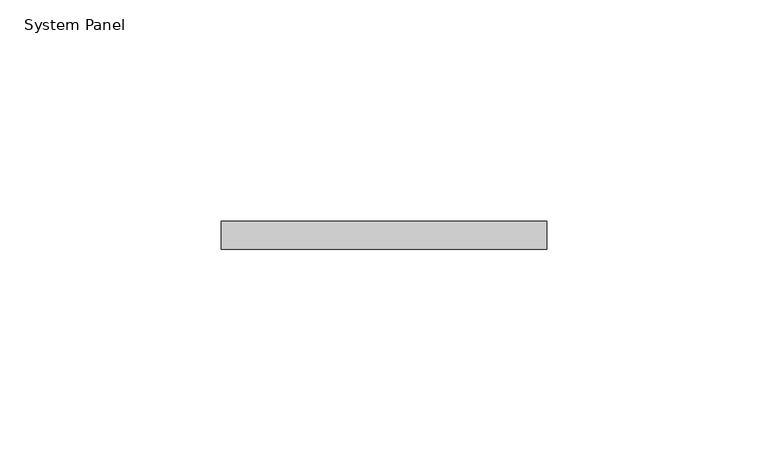
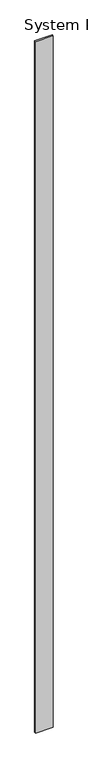
"""IFC4 building model written with IfcOpenShell, lengths in millimetres: plate geometry, System Panel."""

from ifc_helpers import new_model, si_unit, origin, origin_with_axes, place, context, project, spatial, polyline, outline, extrude, source, transform, mapped, element, save


def system_panel_3ae4ca2c(model_context):
    return source(origin(), model_context, "Body", "SweptSolid", [
        extrude(outline(polyline([(36.824976, -6.35), (-36.824976, -6.35), (-36.824976, 0.0), (36.824976, 0.0), (36.824976, -6.35)])), origin_with_axes(), (0.0, 0.0, 1.0), 3048.0),
    ])


if __name__ == "__main__":
    model = new_model("IFC4")
    model_context = context("Model", 3, world=origin())
    ifc_project = project(units=[si_unit("LENGTHUNIT", "METRE", prefix="MILLI")], contexts=[model_context])
    site = spatial("IfcSite", under=ifc_project)
    building = spatial("IfcBuilding", under=site)
    placement = place(None, origin())
    system_panel_shape = system_panel_3ae4ca2c(model_context)
    element("IfcPlate", 1, ObjectType="System Panel", at=placement, inside=building, context=model_context, shape_type="MappedRepresentation", body=[
        mapped(system_panel_shape, transform((0.0, 0.0, 0.0), x_axis=(1.0, 0.0, 0.0), y_axis=(0.0, 1.0, 0.0), z_axis=(0.0, 0.0, 1.0))),
    ])
    save(model, "model.ifc")
